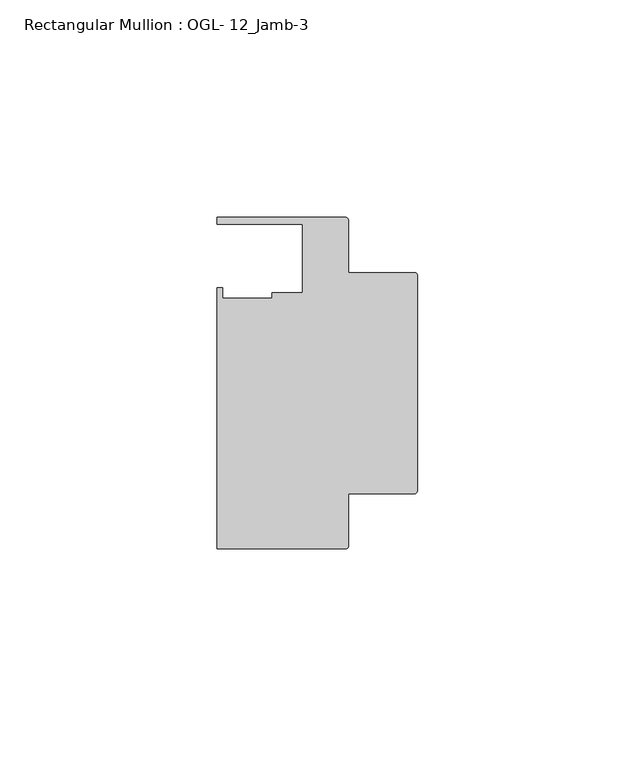
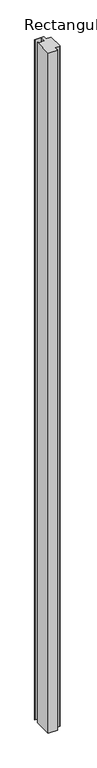
"""IFC4 building model written with IfcOpenShell, lengths in millimetres: member geometry, Rectangular Mullion : OGL- 12_Jamb-3."""

from ifc_helpers import new_model, si_unit, point, frame, frame_2d, origin, place, context, project, spatial, polyline, circle_curve, trimmed, segment, composite_curve, outline, extrude, source, transform, mapped, element, save


def rectangular_mullion_ogl_12_jamb_3_26aacc9d(model_context):
    return source(origin(), model_context, "Body", "SweptSolid", [
        extrude(outline(composite_curve([segment(polyline([(-0.5953125, -25.4), (-15.8750672, -25.4), (-15.8750672, -37.5043667)]), True, "CONTINUOUS"), segment(trimmed(circle_curve(frame_2d((-16.4703797, -37.5043667)), 0.5953125), [point((-15.8750672, -37.5043667))], [point((-16.4703797, -38.0996792))], False, "CARTESIAN"), True, "CONTINUOUS"), segment(polyline([(-16.4703797, -38.0996792), (-46.0339598, -38.0996792), (-46.0339598, 21.9710976), (-44.7780305, 21.9710976), (-44.7780305, 19.4824275), (-33.3985545, 19.4824275), (-33.3985545, 20.8257348), (-26.3720794, 20.8257348), (-26.3720794, 36.512516), (-46.0248655, 36.512516), (-46.0248655, 38.100016), (-16.4703797, 38.100016)]), True, "CONTINUOUS"), segment(trimmed(circle_curve(frame_2d((-16.4703797, 37.5047035)), 0.5953125), [point((-16.4703797, 38.100016))], [point((-15.8750672, 37.5047035))], False, "CARTESIAN"), True, "CONTINUOUS"), segment(polyline([(-15.8750672, 37.5047035), (-15.8750672, 25.4), (-0.5953125, 25.4)]), True, "CONTINUOUS"), segment(trimmed(circle_curve(frame_2d((-0.5953125, 24.8046875)), 0.5953125), [point((-0.5953125, 25.4))], [point((0.0, 24.8046875))], False, "CARTESIAN"), True, "CONTINUOUS"), segment(polyline([(0.0, 24.8046875), (0.0, -24.8046875)]), True, "CONTINUOUS"), segment(trimmed(circle_curve(frame_2d((-0.5953125, -24.8046875)), 0.5953125), [point((0.0, -24.8046875))], [point((-0.5953125, -25.4))], False, "CARTESIAN"), True, "CONTINUOUS")], self_intersect=False)), frame((0.0, 0.0, -2339.9738578), z_axis=(0.0, 0.0, 1.0), x_axis=(1.0, 0.0, 0.0)), (0.0, 0.0, 1.0), 2339.9738578),
    ])


if __name__ == "__main__":
    model = new_model("IFC4")
    model_context = context("Model", 3, world=origin())
    ifc_project = project(units=[si_unit("LENGTHUNIT", "METRE", prefix="MILLI")], contexts=[model_context])
    site = spatial("IfcSite", under=ifc_project)
    building = spatial("IfcBuilding", under=site)
    placement = place(None, origin())
    rectangular_mullion_ogl_12_jamb_3_shape = rectangular_mullion_ogl_12_jamb_3_26aacc9d(model_context)
    element("IfcMember", 1, ObjectType="Rectangular Mullion : OGL- 12_Jamb-3", at=placement, inside=building, context=model_context, shape_type="MappedRepresentation", body=[
        mapped(rectangular_mullion_ogl_12_jamb_3_shape, transform((0.0, 0.0, 0.0), x_axis=(1.0, 0.0, 0.0), y_axis=(0.0, 1.0, 0.0), z_axis=(0.0, 0.0, 1.0))),
    ])
    save(model, "model.ifc")
